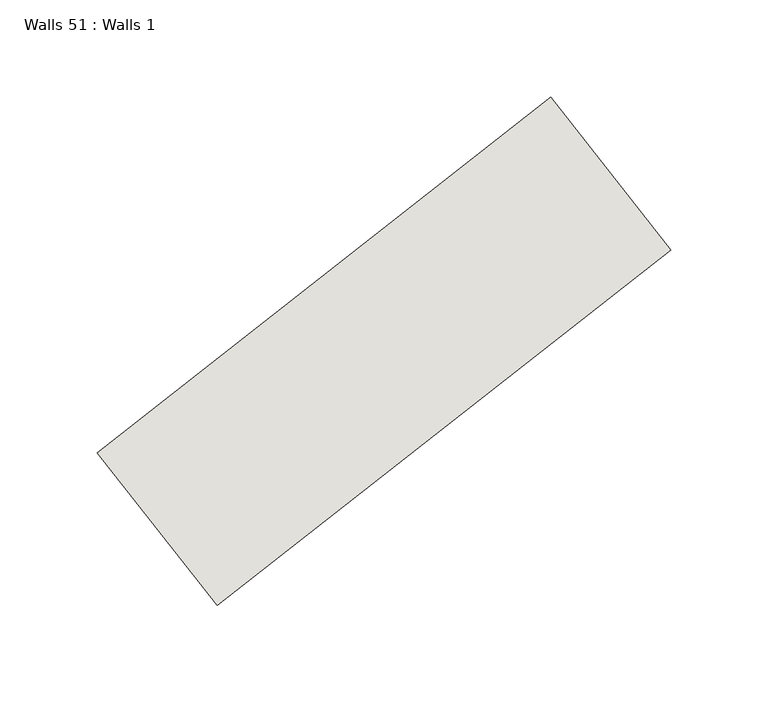
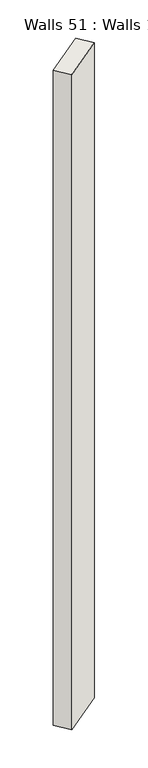
"""IFC4 building model written with IfcOpenShell, lengths in millimetres: wall geometry, Walls 51 : Walls 1."""

from ifc_helpers import new_model, si_unit, origin, origin_with_axes, place, context, project, spatial, polyline, outline, extrude, source, transform, mapped, element, save


def walls_51_walls_1_fc1375c8(model_context):
    return source(origin(), model_context, "Body", "SweptSolid", [
        extrude(outline(polyline([(10837.3738988, -1345.9953287), (11070.8505492, -1162.8653368), (11132.5668484, -1241.5488701), (10899.090198, -1424.678862), (10837.3738988, -1345.9953287)])), origin_with_axes(), (0.0, 0.0, 1.0), 3976.3217265),
    ])


if __name__ == "__main__":
    model = new_model("IFC4")
    model_context = context("Model", 3, world=origin())
    ifc_project = project(units=[si_unit("LENGTHUNIT", "METRE", prefix="MILLI")], contexts=[model_context])
    site = spatial("IfcSite", under=ifc_project)
    building = spatial("IfcBuilding", under=site)
    placement = place(None, origin())
    walls_51_walls_1_shape = walls_51_walls_1_fc1375c8(model_context)
    element("IfcWall", 1, ObjectType="Walls 51 : Walls 1", at=placement, inside=building, context=model_context, shape_type="MappedRepresentation", body=[
        mapped(walls_51_walls_1_shape, transform((0.0, 0.0, 0.0), x_axis=(1.0, 0.0, 0.0), y_axis=(0.0, 1.0, 0.0), z_axis=(0.0, 0.0, 1.0))),
    ])
    save(model, "model.ifc")
